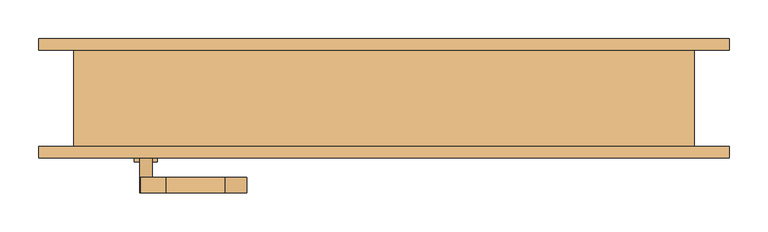
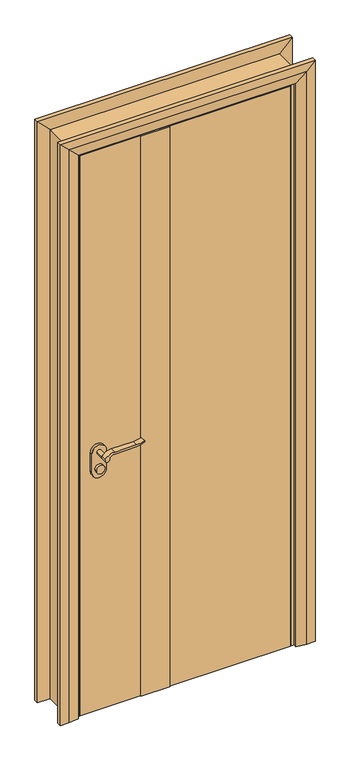
"""IFC4 building model written with IfcOpenShell, lengths in millimetres: door geometry."""

from ifc_helpers import new_model, si_unit, point, frame, frame_2d, origin, origin_with_axes, place, context, project, spatial, polyline, circle_curve, trimmed, segment, composite_curve, outline, extrude, faceted_brep, source, transform, mapped, element, save


def door_8326fd74(model_context):
    return source(origin(), model_context, "Body", "SolidModel", [
        extrude(outline(composite_curve([segment(trimmed(circle_curve(frame_2d((900.0, -307.0)), 15.0), [point((900.0, -292.0))], [point((900.0, -322.0))], False, "CARTESIAN"), True, "CONTINUOUS"), segment(trimmed(circle_curve(frame_2d((900.0, -307.0)), 15.0), [point((900.0, -322.0))], [point((900.0, -292.0))], False, "CARTESIAN"), True, "CONTINUOUS")], self_intersect=False)), frame((0.0, -82.0, 0.0), z_axis=(0.0, 1.0, 0.0), x_axis=(0.0, 0.0, 1.0)), (0.0, 0.0, 1.0), 10.0),
        extrude(outline(composite_curve([segment(trimmed(circle_curve(frame_2d((900.0, -307.0)), 15.0), [point((900.0, -292.0))], [point((900.0, -322.0))], False, "CARTESIAN"), True, "CONTINUOUS"), segment(trimmed(circle_curve(frame_2d((900.0, -307.0)), 15.0), [point((900.0, -322.0))], [point((900.0, -292.0))], False, "CARTESIAN"), True, "CONTINUOUS")], self_intersect=False)), frame((0.0, -2.0, 0.0), z_axis=(0.0, 1.0, 0.0), x_axis=(0.0, 0.0, 1.0)), (0.0, 0.0, 1.0), 10.0),
        extrude(outline(composite_curve([segment(trimmed(circle_curve(frame_2d((960.0, -307.0)), 8.0), [point((964.6523287, -313.5081363))], [point((960.0, -299.0))], False, "CARTESIAN"), True, "CONTINUOUS"), segment(trimmed(circle_curve(frame_2d((954.8738613, -281.6138099)), 18.1261387), [point((960.0, -299.0))], [point((973.0, -281.6138099))], True, "CARTESIAN"), True, "CONTINUOUS"), segment(polyline([(973.0, -281.6138099), (973.0, -205.3564091)]), True, "CONTINUOUS"), segment(trimmed(circle_curve(frame_2d((1032.2709207, -208.9396612)), 59.3791355), [point((973.0, -205.3564091))], [point((982.2135558, -177.0))], False, "CARTESIAN"), True, "CONTINUOUS"), segment(polyline([(982.2135558, -177.0), (985.0, -177.0)]), True, "CONTINUOUS"), segment(trimmed(circle_curve(frame_2d((1063.2850638, -205.4227909)), 83.2850902), [point((985.0, -177.0))], [point((980.0, -205.3564091))], True, "CARTESIAN"), True, "CONTINUOUS"), segment(polyline([(980.0, -205.3564091), (980.0, -281.6325667)]), True, "CONTINUOUS"), segment(trimmed(circle_curve(frame_2d((942.7555521, -283.3324871)), 37.2832219), [point((980.0, -281.6325667))], [point((964.6523287, -313.5081363))], False, "CARTESIAN"), True, "CONTINUOUS")], self_intersect=False)), frame((0.0, -122.0, 0.0), z_axis=(0.0, 1.0, 0.0), x_axis=(0.0, 0.0, 1.0)), (0.0, 0.0, 1.0), 20.0),
        extrude(outline(composite_curve([segment(trimmed(circle_curve(frame_2d((954.8738682, -281.6138122)), 18.1261318), [point((959.9999903, -299.0))], [point((973.0, -281.6138122))], True, "CARTESIAN"), True, "CONTINUOUS"), segment(polyline([(973.0, -281.6138122), (973.0, -205.3564091)]), True, "CONTINUOUS"), segment(trimmed(circle_curve(frame_2d((1032.2709207, -208.9396612)), 59.3791355), [point((973.0, -205.3564091))], [point((982.2135558, -177.0))], False, "CARTESIAN"), True, "CONTINUOUS"), segment(polyline([(982.2135558, -177.0), (985.0, -177.0)]), True, "CONTINUOUS"), segment(trimmed(circle_curve(frame_2d((1063.2850638, -205.4227909)), 83.2850902), [point((985.0, -177.0))], [point((980.0, -205.3564091))], True, "CARTESIAN"), True, "CONTINUOUS"), segment(polyline([(980.0, -205.3564091), (980.0, -281.6325667)]), True, "CONTINUOUS"), segment(trimmed(circle_curve(frame_2d((942.7555521, -283.3324871)), 37.2832219), [point((980.0, -281.6325667))], [point((964.6523287, -313.5081363))], False, "CARTESIAN"), True, "CONTINUOUS"), segment(trimmed(circle_curve(frame_2d((960.0, -307.0)), 8.0), [point((964.6523287, -313.5081363))], [point((959.9999903, -299.0))], False, "CARTESIAN"), True, "CONTINUOUS")], self_intersect=False)), frame((0.0, 28.0, 0.0), z_axis=(0.0, 1.0, 0.0), x_axis=(0.0, 0.0, 1.0)), (0.0, 0.0, 1.0), 20.0),
        extrude(outline(composite_curve([segment(trimmed(circle_curve(frame_2d((960.0, -307.0)), 8.0), [point((960.0, -299.0))], [point((960.0, -315.0))], False, "CARTESIAN"), True, "CONTINUOUS"), segment(trimmed(circle_curve(frame_2d((960.0, -307.0)), 8.0), [point((960.0, -315.0))], [point((960.0, -299.0))], False, "CARTESIAN"), True, "CONTINUOUS")], self_intersect=False)), frame((0.0, -102.0, 0.0), z_axis=(0.0, 1.0, 0.0), x_axis=(0.0, 0.0, 1.0)), (0.0, 0.0, 1.0), 30.0),
        extrude(outline(composite_curve([segment(trimmed(circle_curve(frame_2d((960.0, -307.0)), 8.0), [point((960.0, -299.0))], [point((960.0, -315.0))], False, "CARTESIAN"), True, "CONTINUOUS"), segment(trimmed(circle_curve(frame_2d((960.0, -307.0)), 8.0), [point((960.0, -315.0))], [point((960.0, -299.0))], False, "CARTESIAN"), True, "CONTINUOUS")], self_intersect=False)), frame((0.0, -2.0, 0.0), z_axis=(0.0, 1.0, 0.0), x_axis=(0.0, 0.0, 1.0)), (0.0, 0.0, 1.0), 30.0),
        extrude(outline(composite_curve([segment(trimmed(circle_curve(frame_2d((890.0, -307.0)), 25.0), [point((890.0, -332.0))], [point((890.0, -282.0))], False, "CARTESIAN"), True, "CONTINUOUS"), segment(polyline([(890.0, -282.0), (960.0, -282.0)]), True, "CONTINUOUS"), segment(trimmed(circle_curve(frame_2d((960.0, -307.0)), 25.0), [point((960.0, -282.0))], [point((960.0, -332.0))], False, "CARTESIAN"), True, "CONTINUOUS"), segment(polyline([(960.0, -332.0), (890.0, -332.0)]), True, "CONTINUOUS")], self_intersect=False)), frame((0.0, -72.0, 0.0), z_axis=(0.0, 1.0, 0.0), x_axis=(0.0, 0.0, 1.0)), (0.0, 0.0, 1.0), 10.0),
        extrude(outline(composite_curve([segment(trimmed(circle_curve(frame_2d((890.0, -307.0)), 25.0), [point((890.0, -332.0))], [point((890.0, -282.0))], False, "CARTESIAN"), True, "CONTINUOUS"), segment(polyline([(890.0, -282.0), (960.0, -282.0)]), True, "CONTINUOUS"), segment(trimmed(circle_curve(frame_2d((960.0, -307.0)), 25.0), [point((960.0, -282.0))], [point((960.0, -332.0))], False, "CARTESIAN"), True, "CONTINUOUS"), segment(polyline([(960.0, -332.0), (890.0, -332.0)]), True, "CONTINUOUS")], self_intersect=False)), frame((0.0, -12.0, 0.0), z_axis=(0.0, 1.0, 0.0), x_axis=(0.0, 0.0, 1.0)), (0.0, 0.0, 1.0), 10.0),
        extrude(outline(polyline([(-157.0, -65.0), (-157.0, -9.0), (-57.0, -9.0), (-57.0, -65.0), (-157.0, -65.0)])), origin_with_axes(), (0.0, 0.0, 1.0), 2067.0),
        faceted_brep([(-370.0, -62.0, 0.0), (-400.0, -62.0, 0.0), (-400.0, 62.0, 0.0), (-355.0, 62.0, 0.0), (-355.0, -9.0, 0.0), (-370.0, -9.0, 0.0), (-370.0, -9.0, 2070.0), (-370.0, -62.0, 2070.0), (-355.0, -9.0, 2055.0), (-355.0, 62.0, 2055.0), (-400.0, 62.0, 2100.0), (-400.0, -62.0, 2100.0), (370.0, -9.0, 2070.0), (370.0, -62.0, 2070.0), (355.0, -9.0, 2055.0), (355.0, 62.0, 2055.0), (400.0, 62.0, 2100.0), (400.0, -62.0, 2100.0), (370.0, -62.0, 0.0), (370.0, -9.0, 0.0), (355.0, -9.0, 0.0), (355.0, 62.0, 0.0), (400.0, 62.0, 0.0), (400.0, -62.0, 0.0)], [[[0, 1, 2, 3, 4, 5]], [[5, 6, 7, 0]], [[4, 8, 6, 5]], [[3, 9, 8, 4]], [[2, 10, 9, 3]], [[1, 11, 10, 2]], [[0, 7, 11, 1]], [[6, 12, 13, 7]], [[8, 14, 12, 6]], [[9, 15, 14, 8]], [[10, 16, 15, 9]], [[11, 17, 16, 10]], [[7, 13, 17, 11]], [[18, 19, 20, 21, 22, 23]], [[12, 19, 18, 13]], [[14, 20, 19, 12]], [[15, 21, 20, 14]], [[16, 22, 21, 15]], [[17, 23, 22, 16]], [[13, 18, 23, 17]]]),
        extrude(outline(polyline([(367.0, -12.0), (367.0, -62.0), (-57.0, -62.0), (-57.0, -12.0), (367.0, -12.0)])), origin_with_axes(), (0.0, 0.0, 1.0), 2067.0),
        extrude(outline(polyline([(-157.0, -12.0), (-157.0, -62.0), (-367.0, -62.0), (-367.0, -12.0), (-157.0, -12.0)])), origin_with_axes(), (0.0, 0.0, 1.0), 2067.0),
        faceted_brep([(-445.0, -62.0, 0.0), (-380.0, -62.0, 0.0), (-380.0, -72.0, 0.0), (-415.0, -77.0, 0.0), (-445.0, -77.0, 0.0), (-445.0, -77.0, 2145.0), (-445.0, -62.0, 2145.0), (-415.0, -77.0, 2115.0), (-380.0, -72.0, 2080.0), (-380.0, -62.0, 2080.0), (445.0, -77.0, 2145.0), (445.0, -62.0, 2145.0), (415.0, -77.0, 2115.0), (380.0, -72.0, 2080.0), (380.0, -62.0, 2080.0), (445.0, -62.0, 0.0), (445.0, -77.0, 0.0), (415.0, -77.0, 0.0), (380.0, -72.0, 0.0), (380.0, -62.0, 0.0)], [[[0, 1, 2, 3, 4]], [[4, 5, 6, 0]], [[3, 7, 5, 4]], [[2, 8, 7, 3]], [[1, 9, 8, 2]], [[0, 6, 9, 1]], [[5, 10, 11, 6]], [[7, 12, 10, 5]], [[8, 13, 12, 7]], [[9, 14, 13, 8]], [[6, 11, 14, 9]], [[15, 16, 17, 18, 19]], [[10, 16, 15, 11]], [[12, 17, 16, 10]], [[13, 18, 17, 12]], [[14, 19, 18, 13]], [[11, 15, 19, 14]]]),
        faceted_brep([(-380.0, 72.0, 0.0), (-380.0, 62.0, 0.0), (-445.0, 62.0, 0.0), (-445.0, 77.0, 0.0), (-415.0, 77.0, 0.0), (-415.0, 77.0, 2115.0), (-380.0, 72.0, 2080.0), (-445.0, 77.0, 2145.0), (-445.0, 62.0, 2145.0), (-380.0, 62.0, 2080.0), (415.0, 77.0, 2115.0), (380.0, 72.0, 2080.0), (445.0, 77.0, 2145.0), (445.0, 62.0, 2145.0), (380.0, 62.0, 2080.0), (380.0, 72.0, 0.0), (415.0, 77.0, 0.0), (445.0, 77.0, 0.0), (445.0, 62.0, 0.0), (380.0, 62.0, 0.0)], [[[0, 1, 2, 3, 4]], [[4, 5, 6, 0]], [[3, 7, 5, 4]], [[2, 8, 7, 3]], [[1, 9, 8, 2]], [[0, 6, 9, 1]], [[5, 10, 11, 6]], [[7, 12, 10, 5]], [[8, 13, 12, 7]], [[9, 14, 13, 8]], [[6, 11, 14, 9]], [[15, 16, 17, 18, 19]], [[10, 16, 15, 11]], [[12, 17, 16, 10]], [[13, 18, 17, 12]], [[14, 19, 18, 13]], [[11, 15, 19, 14]]]),
    ])


if __name__ == "__main__":
    model = new_model("IFC4")
    model_context = context("Model", 3, world=origin())
    ifc_project = project(units=[si_unit("LENGTHUNIT", "METRE", prefix="MILLI")], contexts=[model_context])
    site = spatial("IfcSite", under=ifc_project)
    building = spatial("IfcBuilding", under=site)
    placement = place(None, origin())
    door_shape = door_8326fd74(model_context)
    element("IfcDoor", 1, at=placement, inside=building, context=model_context, shape_type="MappedRepresentation", body=[
        mapped(door_shape, transform((0.0, 0.0, 0.0), x_axis=(1.0, 0.0, 0.0), y_axis=(0.0, 1.0, 0.0), z_axis=(0.0, 0.0, 1.0))),
    ])
    save(model, "model.ifc")
